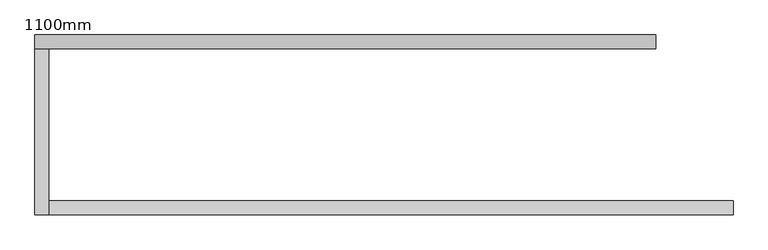
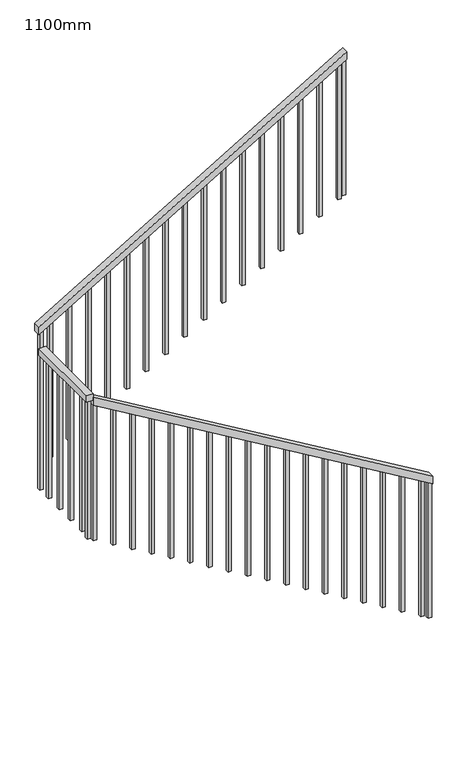
"""IFC4 building model written with IfcOpenShell, lengths in millimetres: railing geometry, 1100mm."""

from ifc_helpers import new_model, si_unit, frame, origin, place, context, project, spatial, polyline, outline, extrude, source, transform, mapped, element, save


def railing_1100mm_99567dad(model_context):
    return source(origin(), model_context, "Body", "SweptSolid", [
        extrude(outline(polyline([(20208.4792885, 2457.6359883), (20266.6666667, 2457.6359883), (21736.9047619, -12.3640117), (21678.7173838, -12.3640117), (20208.4792885, 2457.6359883)])), frame((0.0, 32334.0312544, 0.0), z_axis=(0.0, 1.0, 0.0), x_axis=(0.0, 0.0, 1.0)), (0.0, 0.0, 1.0), 50.0),
        extrude(outline(polyline([(-12.3640117, 32334.0312544), (-62.3640117, 32334.0312544), (-62.3640117, 32932.429968), (-12.3640117, 32932.429968), (-12.3640117, 32334.0312544)])), frame((0.0, 0.0, 21716.6666667), z_axis=(0.0, 0.0, 1.0), x_axis=(1.0, 0.0, 0.0)), (0.0, 0.0, 1.0), 50.0),
        extrude(outline(polyline([(21933.3333333, -62.3640117), (21875.1459552, -62.3640117), (23208.4792885, 2177.6359883), (23266.6666667, 2177.6359883), (21933.3333333, -62.3640117)])), frame((0.0, 32932.429968, 0.0), z_axis=(0.0, 1.0, 0.0), x_axis=(0.0, 0.0, 1.0)), (0.0, 0.0, 1.0), 50.0),
        extrude(outline(polyline([(23174.253098, 2120.1359883), (22139.8809524, 2120.1359883), (22139.8809524, 2145.1359883), (23189.1340504, 2145.1359883), (23174.253098, 2120.1359883)])), frame((0.0, 32944.929968, 0.0), z_axis=(0.0, 1.0, 0.0), x_axis=(0.0, 0.0, 1.0)), (0.0, 0.0, 1.0), 25.0),
        extrude(outline(polyline([(23090.9197647, 1980.1359883), (22056.547619, 1980.1359883), (22056.547619, 2005.1359883), (23105.8007171, 2005.1359883), (23090.9197647, 1980.1359883)])), frame((0.0, 32944.929968, 0.0), z_axis=(0.0, 1.0, 0.0), x_axis=(0.0, 0.0, 1.0)), (0.0, 0.0, 1.0), 25.0),
        extrude(outline(polyline([(23007.5864314, 1840.1359883), (21973.2142857, 1840.1359883), (21973.2142857, 1865.1359883), (23022.4673838, 1865.1359883), (23007.5864314, 1840.1359883)])), frame((0.0, 32944.929968, 0.0), z_axis=(0.0, 1.0, 0.0), x_axis=(0.0, 0.0, 1.0)), (0.0, 0.0, 1.0), 25.0),
        extrude(outline(polyline([(22924.253098, 1700.1359883), (21889.8809524, 1700.1359883), (21889.8809524, 1725.1359883), (22939.1340504, 1725.1359883), (22924.253098, 1700.1359883)])), frame((0.0, 32944.929968, 0.0), z_axis=(0.0, 1.0, 0.0), x_axis=(0.0, 0.0, 1.0)), (0.0, 0.0, 1.0), 25.0),
        extrude(outline(polyline([(22840.9197647, 1560.1359883), (21806.547619, 1560.1359883), (21806.547619, 1585.1359883), (22855.8007171, 1585.1359883), (22840.9197647, 1560.1359883)])), frame((0.0, 32944.929968, 0.0), z_axis=(0.0, 1.0, 0.0), x_axis=(0.0, 0.0, 1.0)), (0.0, 0.0, 1.0), 25.0),
        extrude(outline(polyline([(22757.5864314, 1420.1359883), (21723.2142857, 1420.1359883), (21723.2142857, 1445.1359883), (22772.4673838, 1445.1359883), (22757.5864314, 1420.1359883)])), frame((0.0, 32944.929968, 0.0), z_axis=(0.0, 1.0, 0.0), x_axis=(0.0, 0.0, 1.0)), (0.0, 0.0, 1.0), 25.0),
        extrude(outline(polyline([(22674.253098, 1280.1359883), (21639.8809524, 1280.1359883), (21639.8809524, 1305.1359883), (22689.1340504, 1305.1359883), (22674.253098, 1280.1359883)])), frame((0.0, 32944.929968, 0.0), z_axis=(0.0, 1.0, 0.0), x_axis=(0.0, 0.0, 1.0)), (0.0, 0.0, 1.0), 25.0),
        extrude(outline(polyline([(22590.9197647, 1140.1359883), (21556.547619, 1140.1359883), (21556.547619, 1165.1359883), (22605.8007171, 1165.1359883), (22590.9197647, 1140.1359883)])), frame((0.0, 32944.929968, 0.0), z_axis=(0.0, 1.0, 0.0), x_axis=(0.0, 0.0, 1.0)), (0.0, 0.0, 1.0), 25.0),
        extrude(outline(polyline([(22507.5864314, 1000.1359883), (21473.2142857, 1000.1359883), (21473.2142857, 1025.1359883), (22522.4673838, 1025.1359883), (22507.5864314, 1000.1359883)])), frame((0.0, 32944.929968, 0.0), z_axis=(0.0, 1.0, 0.0), x_axis=(0.0, 0.0, 1.0)), (0.0, 0.0, 1.0), 25.0),
        extrude(outline(polyline([(22424.253098, 860.1359883), (21389.8809524, 860.1359883), (21389.8809524, 885.1359883), (22439.1340504, 885.1359883), (22424.253098, 860.1359883)])), frame((0.0, 32944.929968, 0.0), z_axis=(0.0, 1.0, 0.0), x_axis=(0.0, 0.0, 1.0)), (0.0, 0.0, 1.0), 25.0),
        extrude(outline(polyline([(22340.9197647, 720.1359883), (21306.547619, 720.1359883), (21306.547619, 745.1359883), (22355.8007171, 745.1359883), (22340.9197647, 720.1359883)])), frame((0.0, 32944.929968, 0.0), z_axis=(0.0, 1.0, 0.0), x_axis=(0.0, 0.0, 1.0)), (0.0, 0.0, 1.0), 25.0),
        extrude(outline(polyline([(22257.5864314, 580.1359883), (21223.2142857, 580.1359883), (21223.2142857, 605.1359883), (22272.4673838, 605.1359883), (22257.5864314, 580.1359883)])), frame((0.0, 32944.929968, 0.0), z_axis=(0.0, 1.0, 0.0), x_axis=(0.0, 0.0, 1.0)), (0.0, 0.0, 1.0), 25.0),
        extrude(outline(polyline([(22174.253098, 440.1359883), (21139.8809524, 440.1359883), (21139.8809524, 465.1359883), (22189.1340504, 465.1359883), (22174.253098, 440.1359883)])), frame((0.0, 32944.929968, 0.0), z_axis=(0.0, 1.0, 0.0), x_axis=(0.0, 0.0, 1.0)), (0.0, 0.0, 1.0), 25.0),
        extrude(outline(polyline([(22090.9197647, 300.1359883), (21056.547619, 300.1359883), (21056.547619, 325.1359883), (22105.8007171, 325.1359883), (22090.9197647, 300.1359883)])), frame((0.0, 32944.929968, 0.0), z_axis=(0.0, 1.0, 0.0), x_axis=(0.0, 0.0, 1.0)), (0.0, 0.0, 1.0), 25.0),
        extrude(outline(polyline([(22007.5864314, 160.1359883), (20973.2142857, 160.1359883), (20973.2142857, 185.1359883), (22022.4673838, 185.1359883), (22007.5864314, 160.1359883)])), frame((0.0, 32944.929968, 0.0), z_axis=(0.0, 1.0, 0.0), x_axis=(0.0, 0.0, 1.0)), (0.0, 0.0, 1.0), 25.0),
        extrude(outline(polyline([(21924.253098, 20.1359883), (20889.8809524, 20.1359883), (20889.8809524, 45.1359883), (21939.1340504, 45.1359883), (21924.253098, 20.1359883)])), frame((0.0, 32944.929968, 0.0), z_axis=(0.0, 1.0, 0.0), x_axis=(0.0, 0.0, 1.0)), (0.0, 0.0, 1.0), 25.0),
        extrude(outline(polyline([(-24.8640117, 32836.5312544), (-49.8640117, 32836.5312544), (-49.8640117, 32861.5312544), (-24.8640117, 32861.5312544), (-24.8640117, 32836.5312544)])), frame((0.0, 0.0, 20666.6666667), z_axis=(0.0, 0.0, 1.0), x_axis=(1.0, 0.0, 0.0)), (0.0, 0.0, 1.0), 1050.0),
        extrude(outline(polyline([(-24.8640117, 32696.5312544), (-49.8640117, 32696.5312544), (-49.8640117, 32721.5312544), (-24.8640117, 32721.5312544), (-24.8640117, 32696.5312544)])), frame((0.0, 0.0, 20666.6666667), z_axis=(0.0, 0.0, 1.0), x_axis=(1.0, 0.0, 0.0)), (0.0, 0.0, 1.0), 1050.0),
        extrude(outline(polyline([(-24.8640117, 32556.5312544), (-49.8640117, 32556.5312544), (-49.8640117, 32581.5312544), (-24.8640117, 32581.5312544), (-24.8640117, 32556.5312544)])), frame((0.0, 0.0, 20666.6666667), z_axis=(0.0, 0.0, 1.0), x_axis=(1.0, 0.0, 0.0)), (0.0, 0.0, 1.0), 1050.0),
        extrude(outline(polyline([(-24.8640117, 32416.5312544), (-49.8640117, 32416.5312544), (-49.8640117, 32441.5312544), (-24.8640117, 32441.5312544), (-24.8640117, 32416.5312544)])), frame((0.0, 0.0, 20666.6666667), z_axis=(0.0, 0.0, 1.0), x_axis=(1.0, 0.0, 0.0)), (0.0, 0.0, 1.0), 1050.0),
        extrude(outline(polyline([(20625.0, 20.1359883), (21659.3721457, 20.1359883), (21674.253098, -4.8640117), (20625.0, -4.8640117), (20625.0, 20.1359883)])), frame((0.0, 32346.5312544, 0.0), z_axis=(0.0, 1.0, 0.0), x_axis=(0.0, 0.0, 1.0)), (0.0, 0.0, 1.0), 25.0),
        extrude(outline(polyline([(20541.6666667, 160.1359883), (21576.0388123, 160.1359883), (21590.9197647, 135.1359883), (20541.6666667, 135.1359883), (20541.6666667, 160.1359883)])), frame((0.0, 32346.5312544, 0.0), z_axis=(0.0, 1.0, 0.0), x_axis=(0.0, 0.0, 1.0)), (0.0, 0.0, 1.0), 25.0),
        extrude(outline(polyline([(20458.3333333, 300.1359883), (21492.705479, 300.1359883), (21507.5864314, 275.1359883), (20458.3333333, 275.1359883), (20458.3333333, 300.1359883)])), frame((0.0, 32346.5312544, 0.0), z_axis=(0.0, 1.0, 0.0), x_axis=(0.0, 0.0, 1.0)), (0.0, 0.0, 1.0), 25.0),
        extrude(outline(polyline([(20375.0, 440.1359883), (21409.3721457, 440.1359883), (21424.253098, 415.1359883), (20375.0, 415.1359883), (20375.0, 440.1359883)])), frame((0.0, 32346.5312544, 0.0), z_axis=(0.0, 1.0, 0.0), x_axis=(0.0, 0.0, 1.0)), (0.0, 0.0, 1.0), 25.0),
        extrude(outline(polyline([(20291.6666667, 580.1359883), (21326.0388123, 580.1359883), (21340.9197647, 555.1359883), (20291.6666667, 555.1359883), (20291.6666667, 580.1359883)])), frame((0.0, 32346.5312544, 0.0), z_axis=(0.0, 1.0, 0.0), x_axis=(0.0, 0.0, 1.0)), (0.0, 0.0, 1.0), 25.0),
        extrude(outline(polyline([(20208.3333333, 720.1359883), (21242.705479, 720.1359883), (21257.5864314, 695.1359883), (20208.3333333, 695.1359883), (20208.3333333, 720.1359883)])), frame((0.0, 32346.5312544, 0.0), z_axis=(0.0, 1.0, 0.0), x_axis=(0.0, 0.0, 1.0)), (0.0, 0.0, 1.0), 25.0),
        extrude(outline(polyline([(20125.0, 860.1359883), (21159.3721457, 860.1359883), (21174.253098, 835.1359883), (20125.0, 835.1359883), (20125.0, 860.1359883)])), frame((0.0, 32346.5312544, 0.0), z_axis=(0.0, 1.0, 0.0), x_axis=(0.0, 0.0, 1.0)), (0.0, 0.0, 1.0), 25.0),
        extrude(outline(polyline([(20041.6666667, 1000.1359883), (21076.0388123, 1000.1359883), (21090.9197647, 975.1359883), (20041.6666667, 975.1359883), (20041.6666667, 1000.1359883)])), frame((0.0, 32346.5312544, 0.0), z_axis=(0.0, 1.0, 0.0), x_axis=(0.0, 0.0, 1.0)), (0.0, 0.0, 1.0), 25.0),
        extrude(outline(polyline([(19958.3333333, 1140.1359883), (20992.705479, 1140.1359883), (21007.5864314, 1115.1359883), (19958.3333333, 1115.1359883), (19958.3333333, 1140.1359883)])), frame((0.0, 32346.5312544, 0.0), z_axis=(0.0, 1.0, 0.0), x_axis=(0.0, 0.0, 1.0)), (0.0, 0.0, 1.0), 25.0),
        extrude(outline(polyline([(19875.0, 1280.1359883), (20909.3721457, 1280.1359883), (20924.253098, 1255.1359883), (19875.0, 1255.1359883), (19875.0, 1280.1359883)])), frame((0.0, 32346.5312544, 0.0), z_axis=(0.0, 1.0, 0.0), x_axis=(0.0, 0.0, 1.0)), (0.0, 0.0, 1.0), 25.0),
        extrude(outline(polyline([(19791.6666667, 1420.1359883), (20826.0388123, 1420.1359883), (20840.9197647, 1395.1359883), (19791.6666667, 1395.1359883), (19791.6666667, 1420.1359883)])), frame((0.0, 32346.5312544, 0.0), z_axis=(0.0, 1.0, 0.0), x_axis=(0.0, 0.0, 1.0)), (0.0, 0.0, 1.0), 25.0),
        extrude(outline(polyline([(19708.3333333, 1560.1359883), (20742.705479, 1560.1359883), (20757.5864314, 1535.1359883), (19708.3333333, 1535.1359883), (19708.3333333, 1560.1359883)])), frame((0.0, 32346.5312544, 0.0), z_axis=(0.0, 1.0, 0.0), x_axis=(0.0, 0.0, 1.0)), (0.0, 0.0, 1.0), 25.0),
        extrude(outline(polyline([(19625.0, 1700.1359883), (20659.3721457, 1700.1359883), (20674.253098, 1675.1359883), (19625.0, 1675.1359883), (19625.0, 1700.1359883)])), frame((0.0, 32346.5312544, 0.0), z_axis=(0.0, 1.0, 0.0), x_axis=(0.0, 0.0, 1.0)), (0.0, 0.0, 1.0), 25.0),
        extrude(outline(polyline([(19541.6666667, 1840.1359883), (20576.0388123, 1840.1359883), (20590.9197647, 1815.1359883), (19541.6666667, 1815.1359883), (19541.6666667, 1840.1359883)])), frame((0.0, 32346.5312544, 0.0), z_axis=(0.0, 1.0, 0.0), x_axis=(0.0, 0.0, 1.0)), (0.0, 0.0, 1.0), 25.0),
        extrude(outline(polyline([(19458.3333333, 1980.1359883), (20492.705479, 1980.1359883), (20507.5864314, 1955.1359883), (19458.3333333, 1955.1359883), (19458.3333333, 1980.1359883)])), frame((0.0, 32346.5312544, 0.0), z_axis=(0.0, 1.0, 0.0), x_axis=(0.0, 0.0, 1.0)), (0.0, 0.0, 1.0), 25.0),
        extrude(outline(polyline([(19375.0, 2120.1359883), (20409.3721457, 2120.1359883), (20424.253098, 2095.1359883), (19375.0, 2095.1359883), (19375.0, 2120.1359883)])), frame((0.0, 32346.5312544, 0.0), z_axis=(0.0, 1.0, 0.0), x_axis=(0.0, 0.0, 1.0)), (0.0, 0.0, 1.0), 25.0),
        extrude(outline(polyline([(19291.6666667, 2260.1359883), (20326.0388123, 2260.1359883), (20340.9197647, 2235.1359883), (19291.6666667, 2235.1359883), (19291.6666667, 2260.1359883)])), frame((0.0, 32346.5312544, 0.0), z_axis=(0.0, 1.0, 0.0), x_axis=(0.0, 0.0, 1.0)), (0.0, 0.0, 1.0), 25.0),
        extrude(outline(polyline([(19208.3333333, 2400.1359883), (20242.705479, 2400.1359883), (20257.5864314, 2375.1359883), (19208.3333333, 2375.1359883), (19208.3333333, 2400.1359883)])), frame((0.0, 32346.5312544, 0.0), z_axis=(0.0, 1.0, 0.0), x_axis=(0.0, 0.0, 1.0)), (0.0, 0.0, 1.0), 25.0),
        extrude(outline(polyline([(21882.5864314, -49.8640117), (20666.6666667, -49.8640117), (20666.6666667, -24.8640117), (21897.4673838, -24.8640117), (21882.5864314, -49.8640117)])), frame((0.0, 32944.929968, 0.0), z_axis=(0.0, 1.0, 0.0), x_axis=(0.0, 0.0, 1.0)), (0.0, 0.0, 1.0), 25.0),
        extrude(outline(polyline([(-24.8640117, 32346.5312544), (-49.8640117, 32346.5312544), (-49.8640117, 32371.5312544), (-24.8640117, 32371.5312544), (-24.8640117, 32346.5312544)])), frame((0.0, 0.0, 20651.7857143), z_axis=(0.0, 0.0, 1.0), x_axis=(1.0, 0.0, 0.0)), (0.0, 0.0, 1.0), 1064.8809524),
        extrude(outline(polyline([(23193.5983361, 2152.6359883), (22159.2261905, 2152.6359883), (22159.2261905, 2177.6359883), (23208.4792885, 2177.6359883), (23193.5983361, 2152.6359883)])), frame((0.0, 32944.929968, 0.0), z_axis=(0.0, 1.0, 0.0), x_axis=(0.0, 0.0, 1.0)), (0.0, 0.0, 1.0), 25.0),
        extrude(outline(polyline([(19174.1071429, 2457.6359883), (20208.4792885, 2457.6359883), (20223.3602409, 2432.6359883), (19174.1071429, 2432.6359883), (19174.1071429, 2457.6359883)])), frame((0.0, 32346.5312544, 0.0), z_axis=(0.0, 1.0, 0.0), x_axis=(0.0, 0.0, 1.0)), (0.0, 0.0, 1.0), 25.0),
    ])


if __name__ == "__main__":
    model = new_model("IFC4")
    model_context = context("Model", 3, world=origin())
    ifc_project = project(units=[si_unit("LENGTHUNIT", "METRE", prefix="MILLI")], contexts=[model_context])
    site = spatial("IfcSite", under=ifc_project)
    building = spatial("IfcBuilding", under=site)
    placement = place(None, origin())
    railing_1100mm_shape = railing_1100mm_99567dad(model_context)
    element("IfcRailing", 1, ObjectType="1100mm", at=placement, inside=building, context=model_context, shape_type="MappedRepresentation", body=[
        mapped(railing_1100mm_shape, transform((0.0, 0.0, 0.0), x_axis=(1.0, 0.0, 0.0), y_axis=(0.0, 1.0, 0.0), z_axis=(0.0, 0.0, 1.0))),
    ])
    save(model, "model.ifc")
